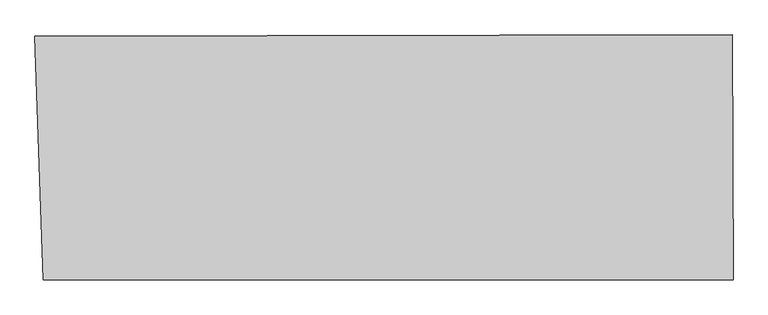
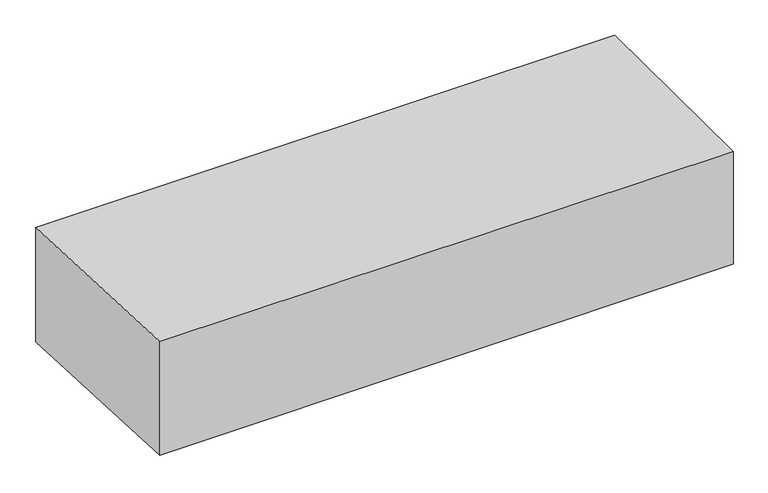
"""IFC4 building model written with IfcOpenShell, lengths in millimetres: proxy geometry."""

from ifc_helpers import new_model, si_unit, origin, place, context, project, spatial, faceted_brep, source, transform, mapped, element, save


def generic_models_c66101ba(model_context):
    return source(origin(), model_context, "Body", "Brep", [
        faceted_brep([(-58618.3527099, 117097.2310513, 9152.8374221), (-56668.4183242, 117097.2310513, 9152.8374221), (-56670.3413874, 117790.9840867, 9152.8374221), (-58642.4261094, 117786.6030172, 9152.8374221), (-58618.3527099, 117097.2310513, 8742.2390729), (-56668.4183242, 117097.2310513, 8748.7368652), (-56670.3413874, 117790.9840867, 8748.730457), (-56670.3413874, 117790.9840867, 9150.6387428), (-58642.4261094, 117786.6030172, 8742.1588528)], [[[0, 1, 2, 3]], [[1, 0, 4, 5]], [[2, 1, 5, 6, 7]], [[3, 2, 7, 6, 8]], [[0, 3, 8, 4]], [[5, 4, 8, 6]]]),
    ])


if __name__ == "__main__":
    model = new_model("IFC4")
    model_context = context("Model", 3, world=origin())
    ifc_project = project(units=[si_unit("LENGTHUNIT", "METRE", prefix="MILLI")], contexts=[model_context])
    site = spatial("IfcSite", under=ifc_project)
    building = spatial("IfcBuilding", under=site)
    placement = place(None, origin())
    generic_models_shape = generic_models_c66101ba(model_context)
    element("IfcBuildingElementProxy", 1, Name="Generic Models", at=placement, inside=building, context=model_context, shape_type="MappedRepresentation", body=[
        mapped(generic_models_shape, transform((0.0, 0.0, 0.0), x_axis=(1.0, 0.0, 0.0), y_axis=(0.0, 1.0, 0.0), z_axis=(0.0, 0.0, 1.0))),
    ])
    save(model, "model.ifc")
